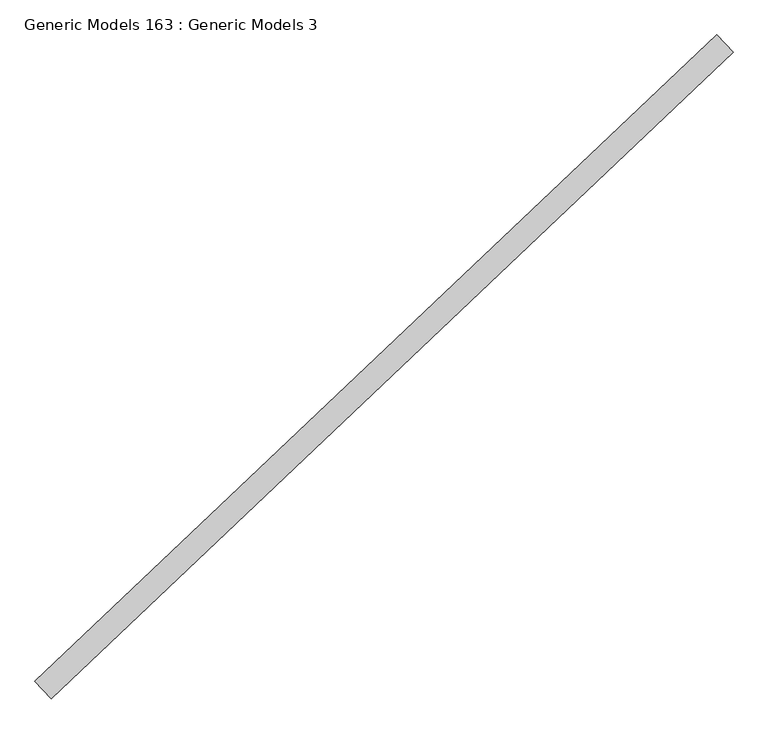
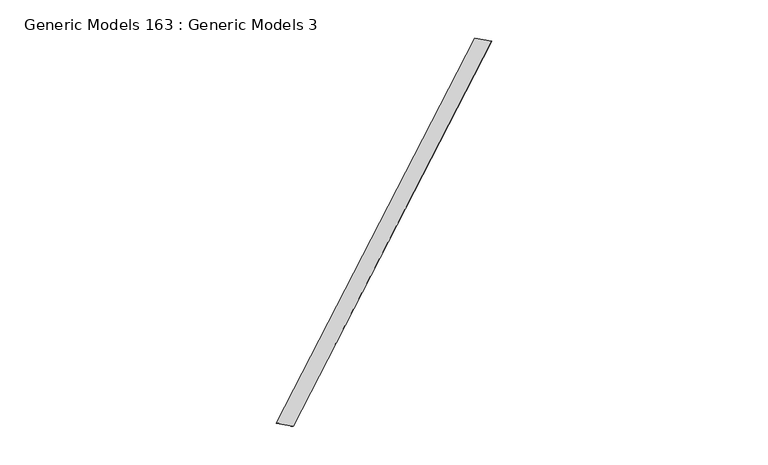
"""IFC4 building model written with IfcOpenShell, lengths in millimetres: proxy geometry, Generic Models 163 : Generic Models 3."""

from ifc_helpers import new_model, si_unit, frame, origin, place, context, project, spatial, polyline, outline, extrude, source, transform, mapped, element, save


def generic_models_163_generic_models_3_28e18c9b(model_context):
    return source(origin(), model_context, "Body", "SweptSolid", [
        extrude(outline(polyline([(114366.2655789, 54742.4507485), (114671.8189742, 54420.4646533), (101933.5740479, 42332.3215761), (101628.0206526, 42654.3076713), (114366.2655789, 54742.4507485)])), frame((0.0, 0.0, 16603.98), z_axis=(0.0, 0.0, 1.0), x_axis=(1.0, 0.0, 0.0)), (0.0, 0.0, 1.0), 6.35),
    ])


if __name__ == "__main__":
    model = new_model("IFC4")
    model_context = context("Model", 3, world=origin())
    ifc_project = project(units=[si_unit("LENGTHUNIT", "METRE", prefix="MILLI")], contexts=[model_context])
    site = spatial("IfcSite", under=ifc_project)
    building = spatial("IfcBuilding", under=site)
    placement = place(None, origin())
    generic_models_163_generic_models_3_shape = generic_models_163_generic_models_3_28e18c9b(model_context)
    element("IfcBuildingElementProxy", 1, Name="Generic Models 163 : Generic Models 3", ObjectType="Generic Models 163 : Generic Models 3", at=placement, inside=building, context=model_context, shape_type="MappedRepresentation", body=[
        mapped(generic_models_163_generic_models_3_shape, transform((0.0, 0.0, 0.0), x_axis=(1.0, 0.0, 0.0), y_axis=(0.0, 1.0, 0.0), z_axis=(0.0, 0.0, 1.0))),
    ])
    save(model, "model.ifc")
